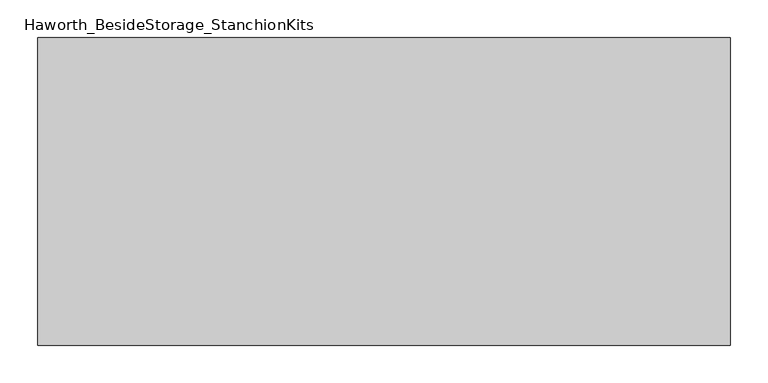
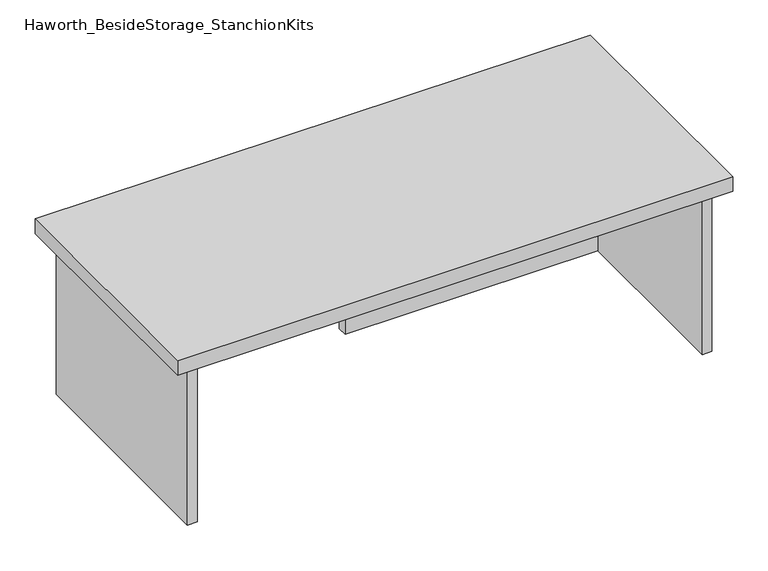
"""IFC4 building model written with IfcOpenShell, lengths in millimetres: furniture geometry, Haworth_BesideStorage_StanchionKits."""

from ifc_helpers import new_model, si_unit, frame, origin, place, context, project, spatial, polyline, outline, extrude, source, transform, mapped, element, save


def haworth_besidestorage_stanchionkits_e698d85c(model_context):
    return source(origin(), model_context, "Body", "SweptSolid", [
        extrude(outline(polyline([(619.125, 0.0), (619.125, -406.4), (-295.275, -406.4), (-295.275, 0.0), (619.125, 0.0)])), frame((0.0, 0.0, 711.2), z_axis=(0.0, 0.0, 1.0), x_axis=(1.0, 0.0, 0.0)), (0.0, 0.0, 1.0), 25.4),
        extrude(outline(polyline([(161.925, -76.2), (577.85, -76.2), (577.85, -92.075), (161.925, -92.075), (161.925, -76.2)])), frame((0.0, 0.0, 431.8), z_axis=(0.0, 0.0, 1.0), x_axis=(1.0, 0.0, 0.0)), (0.0, 0.0, 1.0), 279.4),
        extrude(outline(polyline([(593.725, -390.525), (577.85, -390.525), (577.85, -15.875), (593.725, -15.875), (593.725, -390.525)])), frame((0.0, 0.0, 431.8), z_axis=(0.0, 0.0, 1.0), x_axis=(1.0, 0.0, 0.0)), (0.0, 0.0, 1.0), 279.4),
        extrude(outline(polyline([(-254.0, -390.525), (-269.875, -390.525), (-269.875, -15.875), (-254.0, -15.875), (-254.0, -390.525)])), frame((0.0, 0.0, 431.8), z_axis=(0.0, 0.0, 1.0), x_axis=(1.0, 0.0, 0.0)), (0.0, 0.0, 1.0), 279.4),
    ])


if __name__ == "__main__":
    model = new_model("IFC4")
    model_context = context("Model", 3, world=origin())
    ifc_project = project(units=[si_unit("LENGTHUNIT", "METRE", prefix="MILLI")], contexts=[model_context])
    site = spatial("IfcSite", under=ifc_project)
    building = spatial("IfcBuilding", under=site)
    placement = place(None, origin())
    haworth_besidestorage_stanchionkits_shape = haworth_besidestorage_stanchionkits_e698d85c(model_context)
    element("IfcFurniture", 1, ObjectType="Haworth_BesideStorage_StanchionKits", at=placement, inside=building, context=model_context, shape_type="MappedRepresentation", body=[
        mapped(haworth_besidestorage_stanchionkits_shape, transform((0.0, 0.0, 0.0), x_axis=(1.0, 0.0, 0.0), y_axis=(0.0, 1.0, 0.0), z_axis=(0.0, 0.0, 1.0))),
    ])
    save(model, "model.ifc")
